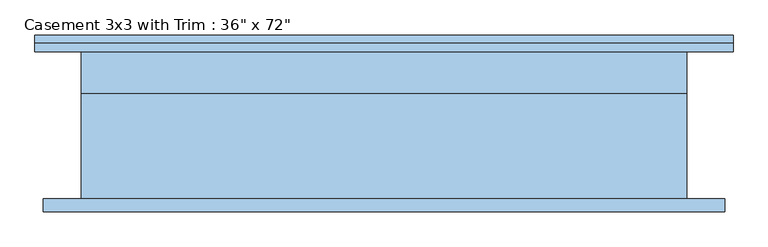
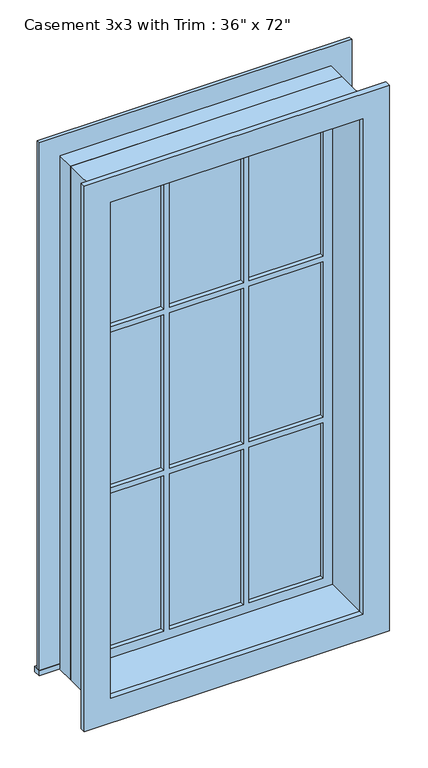
"""IFC4 building model written with IfcOpenShell, lengths in millimetres: window geometry."""

from ifc_helpers import new_model, si_unit, frame, origin, place, context, project, spatial, polyline, outline, extrude, source, transform, mapped, element, save


def window_7d7e15dc(model_context):
    return source(origin(), model_context, "Body", "SweptSolid", [
        extrude(outline(polyline([(-527.05, 136.525), (527.05, 136.525), (527.05, 111.125), (-527.05, 111.125), (-527.05, 136.525)])), frame((0.0, 0.0, 304.8), z_axis=(0.0, 0.0, 1.0), x_axis=(1.0, 0.0, 0.0)), (0.0, 0.0, 1.0), 19.05),
        extrude(outline(polyline([(2114.55, -438.15), (2114.55, 438.15), (323.85, 438.15), (323.85, 527.05), (2203.45, 527.05), (2203.45, -527.05), (323.85, -527.05), (323.85, -438.15), (2114.55, -438.15)])), frame((0.0, 111.125, 0.0), z_axis=(0.0, 1.0, 0.0), x_axis=(0.0, 0.0, 1.0)), (0.0, 0.0, 1.0), 12.7),
        extrude(outline(polyline([(143.9333333, 76.2), (393.7, 76.2), (393.7, 63.5), (143.9333333, 63.5), (143.9333333, 76.2)])), frame((0.0, 0.0, 1515.5333333), z_axis=(0.0, 0.0, 1.0), x_axis=(1.0, 0.0, 0.0)), (0.0, 0.0, 1.0), 554.5666667),
        extrude(outline(polyline([(-124.8833333, 76.2), (124.8833333, 76.2), (124.8833333, 63.5), (-124.8833333, 63.5), (-124.8833333, 76.2)])), frame((0.0, 0.0, 1515.5333333), z_axis=(0.0, 0.0, 1.0), x_axis=(1.0, 0.0, 0.0)), (0.0, 0.0, 1.0), 554.5666667),
        extrude(outline(polyline([(-393.7, 76.2), (-143.9333333, 76.2), (-143.9333333, 63.5), (-393.7, 63.5), (-393.7, 76.2)])), frame((0.0, 0.0, 1515.5333333), z_axis=(0.0, 0.0, 1.0), x_axis=(1.0, 0.0, 0.0)), (0.0, 0.0, 1.0), 554.5666667),
        extrude(outline(polyline([(-393.7, 76.2), (-143.9333333, 76.2), (-143.9333333, 63.5), (-393.7, 63.5), (-393.7, 76.2)])), frame((0.0, 0.0, 941.9166667), z_axis=(0.0, 0.0, 1.0), x_axis=(1.0, 0.0, 0.0)), (0.0, 0.0, 1.0), 554.5666667),
        extrude(outline(polyline([(-124.8833333, 76.2), (124.8833333, 76.2), (124.8833333, 63.5), (-124.8833333, 63.5), (-124.8833333, 76.2)])), frame((0.0, 0.0, 941.9166667), z_axis=(0.0, 0.0, 1.0), x_axis=(1.0, 0.0, 0.0)), (0.0, 0.0, 1.0), 554.5666667),
        extrude(outline(polyline([(143.9333333, 76.2), (393.7, 76.2), (393.7, 63.5), (143.9333333, 63.5), (143.9333333, 76.2)])), frame((0.0, 0.0, 941.9166667), z_axis=(0.0, 0.0, 1.0), x_axis=(1.0, 0.0, 0.0)), (0.0, 0.0, 1.0), 554.5666667),
        extrude(outline(polyline([(143.9333333, 76.2), (393.7, 76.2), (393.7, 63.5), (143.9333333, 63.5), (143.9333333, 76.2)])), frame((0.0, 0.0, 368.3), z_axis=(0.0, 0.0, 1.0), x_axis=(1.0, 0.0, 0.0)), (0.0, 0.0, 1.0), 554.5666667),
        extrude(outline(polyline([(-124.8833333, 76.2), (124.8833333, 76.2), (124.8833333, 63.5), (-124.8833333, 63.5), (-124.8833333, 76.2)])), frame((0.0, 0.0, 368.3), z_axis=(0.0, 0.0, 1.0), x_axis=(1.0, 0.0, 0.0)), (0.0, 0.0, 1.0), 554.5666667),
        extrude(outline(polyline([(-393.7, 76.2), (-143.9333333, 76.2), (-143.9333333, 63.5), (-393.7, 63.5), (-393.7, 76.2)])), frame((0.0, 0.0, 368.3), z_axis=(0.0, 0.0, 1.0), x_axis=(1.0, 0.0, 0.0)), (0.0, 0.0, 1.0), 554.5666667),
        extrude(outline(polyline([(2190.75, 514.35), (2190.75, -514.35), (247.65, -514.35), (247.65, 514.35), (2190.75, 514.35)]), holes=[polyline([(2101.85, 425.45), (336.55, 425.45), (336.55, -425.45), (2101.85, -425.45), (2101.85, 425.45)])]), frame((0.0, -130.175, 0.0), z_axis=(0.0, 1.0, 0.0), x_axis=(0.0, 0.0, 1.0)), (0.0, 0.0, 1.0), 19.05),
        extrude(outline(polyline([(2114.55, -438.15), (323.85, -438.15), (323.85, 438.15), (2114.55, 438.15), (2114.55, -438.15)]), holes=[polyline([(2070.1, -143.9333333), (1515.5333333, -143.9333333), (1515.5333333, -393.7), (2070.1, -393.7), (2070.1, -143.9333333)]), polyline([(1496.4833333, -143.9333333), (941.9166667, -143.9333333), (941.9166667, -393.7), (1496.4833333, -393.7), (1496.4833333, -143.9333333)]), polyline([(922.8666667, -143.9333333), (368.3, -143.9333333), (368.3, -393.7), (922.8666667, -393.7), (922.8666667, -143.9333333)]), polyline([(2070.1, 124.8833333), (1515.5333333, 124.8833333), (1515.5333333, -124.8833333), (2070.1, -124.8833333), (2070.1, 124.8833333)]), polyline([(1496.4833333, 124.8833333), (941.9166667, 124.8833333), (941.9166667, -124.8833333), (1496.4833333, -124.8833333), (1496.4833333, 124.8833333)]), polyline([(922.8666667, 124.8833333), (368.3, 124.8833333), (368.3, -124.8833333), (922.8666667, -124.8833333), (922.8666667, 124.8833333)]), polyline([(2070.1, 393.7), (1515.5333333, 393.7), (1515.5333333, 143.9333333), (2070.1, 143.9333333), (2070.1, 393.7)]), polyline([(1496.4833333, 393.7), (941.9166667, 393.7), (941.9166667, 143.9333333), (1496.4833333, 143.9333333), (1496.4833333, 393.7)]), polyline([(922.8666667, 393.7), (368.3, 393.7), (368.3, 143.9333333), (922.8666667, 143.9333333), (922.8666667, 393.7)])]), frame((0.0, 47.625, 0.0), z_axis=(0.0, 1.0, 0.0), x_axis=(0.0, 0.0, 1.0)), (0.0, 0.0, 1.0), 44.45),
        extrude(outline(polyline([(2133.6, -457.2), (304.8, -457.2), (304.8, 457.2), (2133.6, 457.2), (2133.6, -457.2)]), holes=[polyline([(2101.85, -425.45), (2101.85, 425.45), (336.55, 425.45), (336.55, -425.45), (2101.85, -425.45)])]), frame((0.0, -111.125, 0.0), z_axis=(0.0, 1.0, 0.0), x_axis=(0.0, 0.0, 1.0)), (0.0, 0.0, 1.0), 158.75),
        extrude(outline(polyline([(2133.6, 457.2), (2133.6, -457.2), (304.8, -457.2), (304.8, 457.2), (2133.6, 457.2)]), holes=[polyline([(2114.55, 438.15), (323.85, 438.15), (323.85, -438.15), (2114.55, -438.15), (2114.55, 438.15)])]), frame((0.0, 47.625, 0.0), z_axis=(0.0, 1.0, 0.0), x_axis=(0.0, 0.0, 1.0)), (0.0, 0.0, 1.0), 63.5),
    ])


if __name__ == "__main__":
    model = new_model("IFC4")
    model_context = context("Model", 3, world=origin())
    ifc_project = project(units=[si_unit("LENGTHUNIT", "METRE", prefix="MILLI")], contexts=[model_context])
    site = spatial("IfcSite", under=ifc_project)
    building = spatial("IfcBuilding", under=site)
    placement = place(None, origin())
    window_shape = window_7d7e15dc(model_context)
    element("IfcWindow", 1, ObjectType="Casement 3x3 with Trim : 36\" x 72\"", at=placement, inside=building, context=model_context, shape_type="MappedRepresentation", body=[
        mapped(window_shape, transform((0.0, 0.0, 0.0), x_axis=(1.0, 0.0, 0.0), y_axis=(0.0, 1.0, 0.0), z_axis=(0.0, 0.0, 1.0))),
    ])
    save(model, "model.ifc")
